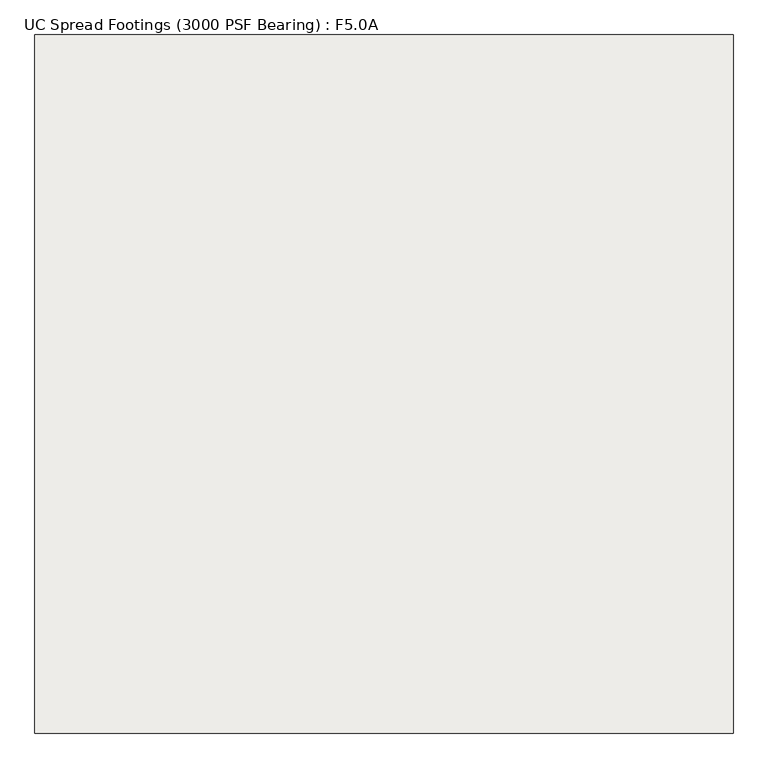
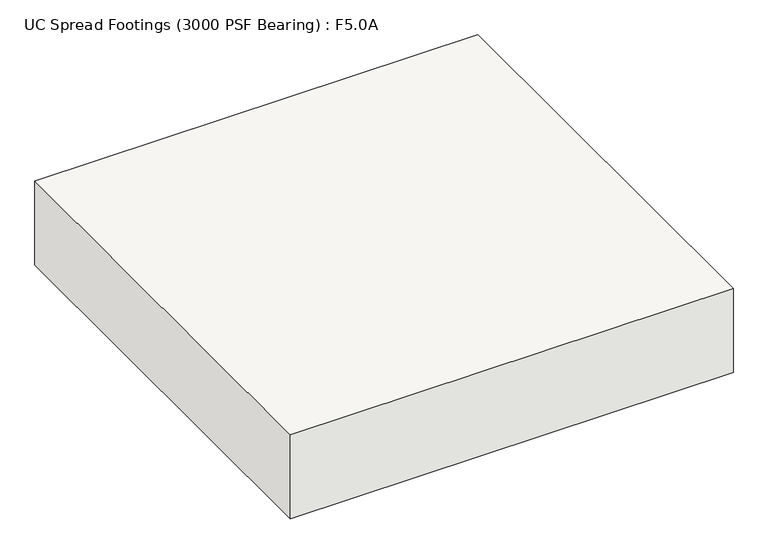
"""IFC4 building model written with IfcOpenShell, lengths in millimetres: slab geometry, UC Spread Footings (3000 PSF Bearing) : F5.0A."""

import ifcopenshell
import ifcopenshell.guid

model = None  # the IFC model being written
_history = None  # IfcOwnerHistory: only IFC2X3 demands one
_inside = {}  # id of a spatial element -> (the spatial element, [elements in it])
_under = {}  # id of a project, library or spatial element -> (it, [spatial elements below it])
_declared = {}  # id of a project -> (the project, [libraries it declares])
_typed = {}  # id of a type object -> (the type object, [elements of that type])
_made_of = {}  # id of a material, layer set ... -> (it, [elements and type objects made of it])


def new_model(schema):
    """Start an empty IFC model of exactly this schema.

    Asked for "IFC4X3", IfcOpenShell would pick the latest addendum, in which some entities
    have other attributes; the version numbers below select the first issue.
    IFC2X3 requires an IfcOwnerHistory on every rooted entity: one is made here for all.
    """
    global model, _history
    if schema == "IFC4X3":
        model = ifcopenshell.file(schema_version=(4, 3, 0, 0))
    else:
        model = ifcopenshell.file(schema=schema)
    _inside.clear()
    _under.clear()
    _declared.clear()
    _typed.clear()
    _made_of.clear()
    _history = None
    if model.schema == "IFC2X3":
        org = make("IfcOrganization", Name="unknown")
        user = make(
            "IfcPersonAndOrganization",
            ThePerson=make("IfcPerson", FamilyName="unknown"),
            TheOrganization=org,
        )
        app = make(
            "IfcApplication",
            ApplicationDeveloper=org,
            Version="unknown",
            ApplicationFullName="unknown",
            ApplicationIdentifier="unknown",
        )
        _history = make(
            "IfcOwnerHistory",
            OwningUser=user,
            OwningApplication=app,
            ChangeAction="ADDED",
            CreationDate=0,
        )
    return model


def make(cls, **values):
    """One entity of the class cls with the attributes given. An attribute that is None is left unset."""
    return model.create_entity(
        cls, **{name: value for name, value in values.items() if value is not None}
    )


def rooted(cls, **values):
    """An entity with a GlobalId (a new one), such as an element, a storey or a relation."""
    return make(cls, GlobalId=ifcopenshell.guid.new(), OwnerHistory=_history, **values)


def si_unit(unit_type, name, prefix=None):
    """IfcSIUnit, for example si_unit("LENGTHUNIT", "METRE", prefix="MILLI")."""
    return make("IfcSIUnit", UnitType=unit_type, Prefix=prefix, Name=name)


def assignment(units):
    """IfcUnitAssignment: the units of a project."""
    return None if units is None else make("IfcUnitAssignment", Units=units)


def point(xyz):
    """IfcCartesianPoint."""
    return None if xyz is None else make("IfcCartesianPoint", Coordinates=xyz)


def direction(xyz):
    """IfcDirection."""
    return None if xyz is None else make("IfcDirection", DirectionRatios=xyz)


def frame(location, z_axis=None, x_axis=None):
    """IfcAxis2Placement3D, a coordinate frame: its origin and axes. An axis left out is left unset."""
    return make(
        "IfcAxis2Placement3D",
        Location=point(location),
        Axis=direction(z_axis),
        RefDirection=direction(x_axis),
    )


def origin():
    """The frame at (0, 0, 0) with its axes left unset."""
    return frame((0.0, 0.0, 0.0))


def place(relative_to, where):
    """IfcLocalPlacement: puts the frame where relative to a parent placement (None: the world)."""
    return make(
        "IfcLocalPlacement", PlacementRelTo=relative_to, RelativePlacement=where
    )


def context(
    kind, dimensions, precision=None, world=None, true_north=None, identifier=None
):
    """IfcGeometricRepresentationContext, for example the 3D "Model" context."""
    return make(
        "IfcGeometricRepresentationContext",
        ContextIdentifier=identifier,
        ContextType=kind,
        CoordinateSpaceDimension=dimensions,
        Precision=precision,
        WorldCoordinateSystem=world,
        TrueNorth=true_north,
    )


def project(units=None, contexts=None):
    """IfcProject with its units and contexts."""
    return rooted(
        "IfcProject",
        Name="project",
        RepresentationContexts=contexts,
        UnitsInContext=assignment(units),
    )


def spatial(cls, under=None, at=None, **own):
    """A site, building, storey or space (cls), placed at a placement, below another one or the project."""
    s = rooted(cls, ObjectPlacement=at, **own)
    if under is not None:
        _under.setdefault(under.id(), (under, []))[1].append(s)
    return s


def polyline(points):
    """IfcPolyline through the points."""
    return make("IfcPolyline", Points=[point(p) for p in points])


def outline(outer, holes=None, kind="AREA"):
    """IfcArbitraryClosedProfileDef: a profile drawn as a closed curve; with holes, ...WithVoids."""
    if holes is None:
        return make("IfcArbitraryClosedProfileDef", ProfileType=kind, OuterCurve=outer)
    return make(
        "IfcArbitraryProfileDefWithVoids",
        ProfileType=kind,
        OuterCurve=outer,
        InnerCurves=holes,
    )


def extrude(swept, where, along, depth):
    """IfcExtrudedAreaSolid: the profile swept, set in the frame where, extruded along a direction by depth."""
    return make(
        "IfcExtrudedAreaSolid",
        SweptArea=swept,
        Position=where,
        ExtrudedDirection=direction(along),
        Depth=depth,
    )


def shape(context_of_items, identifier, shape_type, items):
    """IfcShapeRepresentation: the items that make up one representation, for example the "Body"."""
    return make(
        "IfcShapeRepresentation",
        ContextOfItems=context_of_items,
        RepresentationIdentifier=identifier,
        RepresentationType=shape_type,
        Items=items,
    )


def source(mapping_origin, context_of_items, identifier, shape_type, items):
    """IfcRepresentationMap: a shape defined once, which mapped items show again and again."""
    return make(
        "IfcRepresentationMap",
        MappingOrigin=mapping_origin,
        MappedRepresentation=shape(context_of_items, identifier, shape_type, items),
    )


def transform(
    local_origin,
    x_axis=None,
    y_axis=None,
    z_axis=None,
    scale=None,
    scale2=None,
    scale3=None,
    uniform=True,
):
    """IfcCartesianTransformationOperator3D, or its non-uniform kind. x_axis, y_axis, z_axis: its Axis1, 2, 3."""
    if uniform:
        return make(
            "IfcCartesianTransformationOperator3D",
            Axis1=direction(x_axis),
            Axis2=direction(y_axis),
            LocalOrigin=point(local_origin),
            Scale=scale,
            Axis3=direction(z_axis),
        )
    return make(
        "IfcCartesianTransformationOperator3DnonUniform",
        Axis1=direction(x_axis),
        Axis2=direction(y_axis),
        LocalOrigin=point(local_origin),
        Scale=scale,
        Axis3=direction(z_axis),
        Scale2=scale2,
        Scale3=scale3,
    )


def mapped(mapping_source, mapping_target):
    """IfcMappedItem: shows the shape of a source again, moved by a transform."""
    return make(
        "IfcMappedItem", MappingSource=mapping_source, MappingTarget=mapping_target
    )


def made_of(thing, what):
    """Note that an element or type object is made of a material, layer set ...; save() writes the relation."""
    if what is not None:
        _made_of.setdefault(what.id(), (what, []))[1].append(thing)
    return thing


def element(
    cls,
    number,
    at=None,
    inside=None,
    cuts=None,
    type_object=None,
    material=None,
    context=None,
    identifier="Body",
    shape_type=None,
    held_by="IfcProductDefinitionShape",
    body=None,
    shapes=None,
    **own,
):
    """One element of the class cls, such as IfcWall. Its Tag is "e" and its number.

    at: its placement. inside: the storey or other place that contains it. cuts: it is an
    opening in that element (IfcRelVoidsElement). A single representation is given by context,
    identifier, shape_type and body (its items); several are given by shapes. held_by: the class
    of the entity that holds the representations. save() writes the other relations.
    """
    e = rooted(cls, Tag="e%d" % number, ObjectPlacement=at, **own)
    if body is not None:
        shapes = [shape(context, identifier, shape_type, body)]
    if shapes is not None:
        e.Representation = make(held_by, Representations=shapes)
    if inside is not None:
        _inside.setdefault(inside.id(), (inside, []))[1].append(e)
    if cuts is not None:
        rooted(
            "IfcRelVoidsElement", RelatingBuildingElement=cuts, RelatedOpeningElement=e
        )
    if type_object is not None:
        _typed.setdefault(type_object.id(), (type_object, []))[1].append(e)
    return made_of(e, material)


def aggregate(whole, parts):
    """IfcRelAggregates: a whole, such as a stair, and the parts it consists of."""
    return rooted("IfcRelAggregates", RelatingObject=whole, RelatedObjects=parts)


def save(model, path):
    """Write the relations noted so far, then the file.

    IfcRelAggregates (storeys below a building ...), IfcRelContainedInSpatialStructure (elements
    in a storey), IfcRelDefinesByType, IfcRelAssociatesMaterial and IfcRelDeclares: one each for
    every whole, place, type object, material and project.
    """
    for whole, parts in _under.values():
        aggregate(whole, parts)
    for where, things in _inside.values():
        rooted(
            "IfcRelContainedInSpatialStructure",
            RelatedElements=things,
            RelatingStructure=where,
        )
    for kind, things in _typed.values():
        rooted("IfcRelDefinesByType", RelatedObjects=things, RelatingType=kind)
    for what, things in _made_of.values():
        rooted("IfcRelAssociatesMaterial", RelatedObjects=things, RelatingMaterial=what)
    for by, libraries in _declared.values():
        rooted("IfcRelDeclares", RelatingContext=by, RelatedDefinitions=libraries)
    model.write(path)


def uc_spread_footings_3000_psf_bearing_f5_0a_f52d0094(model_context):
    return source(origin(), model_context, "Body", "SweptSolid", [
        extrude(outline(polyline([(762.0, 762.0), (762.0, -762.0), (-762.0, -762.0), (-762.0, 762.0), (762.0, 762.0)])), frame((0.0, 0.0, -304.8), z_axis=(0.0, 0.0, 1.0), x_axis=(1.0, 0.0, 0.0)), (0.0, 0.0, 1.0), 304.8),
    ])


if __name__ == "__main__":
    model = new_model("IFC4")
    model_context = context("Model", 3, world=origin())
    ifc_project = project(units=[si_unit("LENGTHUNIT", "METRE", prefix="MILLI")], contexts=[model_context])
    site = spatial("IfcSite", under=ifc_project)
    building = spatial("IfcBuilding", under=site)
    placement = place(None, origin())
    uc_spread_footings_3000_psf_bearing_f5_0a_shape = uc_spread_footings_3000_psf_bearing_f5_0a_f52d0094(model_context)
    element("IfcSlab", 1, ObjectType="UC Spread Footings (3000 PSF Bearing) : F5.0A", at=placement, inside=building, context=model_context, shape_type="MappedRepresentation", body=[
        mapped(uc_spread_footings_3000_psf_bearing_f5_0a_shape, transform((0.0, 0.0, 0.0), x_axis=(1.0, 0.0, 0.0), y_axis=(0.0, 1.0, 0.0), z_axis=(0.0, 0.0, 1.0))),
    ])
    save(model, "model.ifc")
